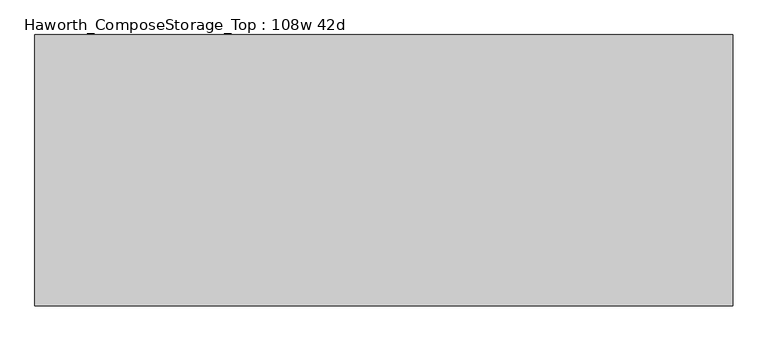
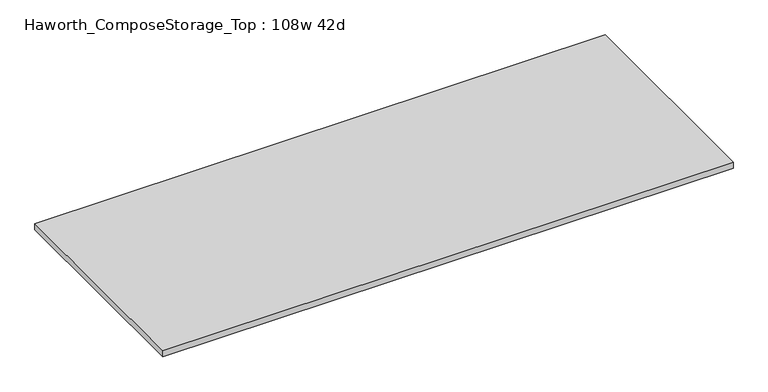
"""IFC4 building model written with IfcOpenShell, lengths in millimetres: furniture geometry, Haworth_ComposeStorage_Top : 108w 42d."""

from ifc_helpers import new_model, si_unit, frame, origin, place, context, project, spatial, polyline, outline, extrude, source, transform, mapped, element, save


def haworth_composestorage_top_108w_42d_b5a92a35(model_context):
    return source(origin(), model_context, "Body", "SweptSolid", [
        extrude(outline(polyline([(1371.6, 533.4), (1371.6, -533.4), (-1371.6, -533.4), (-1371.6, 533.4), (1371.6, 533.4)])), frame((0.0, 0.0, 706.4375), z_axis=(0.0, 0.0, 1.0), x_axis=(1.0, 0.0, 0.0)), (0.0, 0.0, 1.0), 30.1625),
    ])


if __name__ == "__main__":
    model = new_model("IFC4")
    model_context = context("Model", 3, world=origin())
    ifc_project = project(units=[si_unit("LENGTHUNIT", "METRE", prefix="MILLI")], contexts=[model_context])
    site = spatial("IfcSite", under=ifc_project)
    building = spatial("IfcBuilding", under=site)
    placement = place(None, origin())
    haworth_composestorage_top_108w_42d_shape = haworth_composestorage_top_108w_42d_b5a92a35(model_context)
    element("IfcFurniture", 1, ObjectType="Haworth_ComposeStorage_Top : 108w 42d", at=placement, inside=building, context=model_context, shape_type="MappedRepresentation", body=[
        mapped(haworth_composestorage_top_108w_42d_shape, transform((0.0, 0.0, 0.0), x_axis=(1.0, 0.0, 0.0), y_axis=(0.0, 1.0, 0.0), z_axis=(0.0, 0.0, 1.0))),
    ])
    save(model, "model.ifc")
